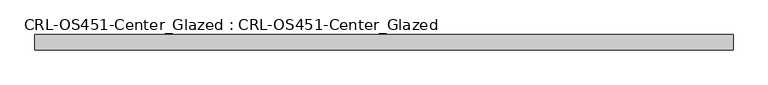
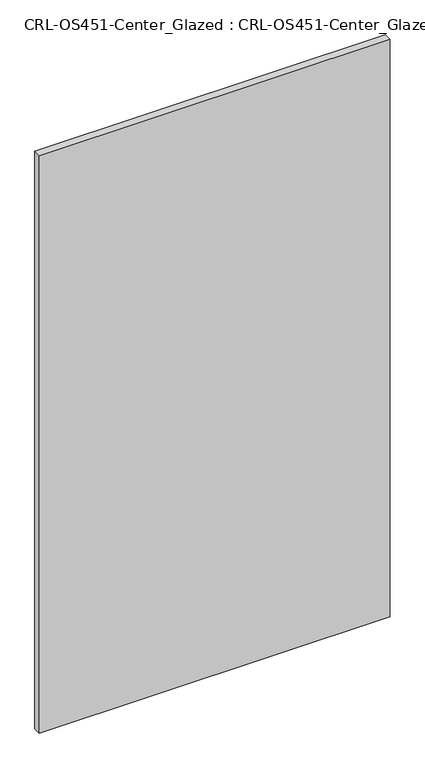
"""IFC4 building model written with IfcOpenShell, lengths in millimetres: plate geometry, CRL-OS451-Center_Glazed : CRL-OS451-Center_Glazed."""

from ifc_helpers import new_model, si_unit, origin, origin_with_axes, place, context, project, spatial, polyline, outline, extrude, source, transform, mapped, element, save


def crl_os451_center_glazed_crl_os451_center_glazed_9f50be56(model_context):
    return source(origin(), model_context, "Body", "SweptSolid", [
        extrude(outline(polyline([(-584.6211699, 12.709956), (584.6211699, 12.709956), (584.6211699, -12.709956), (-584.6211699, -12.709956), (-584.6211699, 12.709956)])), origin_with_axes(), (0.0, 0.0, 1.0), 2033.8986269),
    ])


if __name__ == "__main__":
    model = new_model("IFC4")
    model_context = context("Model", 3, world=origin())
    ifc_project = project(units=[si_unit("LENGTHUNIT", "METRE", prefix="MILLI")], contexts=[model_context])
    site = spatial("IfcSite", under=ifc_project)
    building = spatial("IfcBuilding", under=site)
    placement = place(None, origin())
    crl_os451_center_glazed_crl_os451_center_glazed_shape = crl_os451_center_glazed_crl_os451_center_glazed_9f50be56(model_context)
    element("IfcPlate", 1, ObjectType="CRL-OS451-Center_Glazed : CRL-OS451-Center_Glazed", at=placement, inside=building, context=model_context, shape_type="MappedRepresentation", body=[
        mapped(crl_os451_center_glazed_crl_os451_center_glazed_shape, transform((0.0, 0.0, 0.0), x_axis=(1.0, 0.0, 0.0), y_axis=(0.0, 1.0, 0.0), z_axis=(0.0, 0.0, 1.0))),
    ])
    save(model, "model.ifc")
